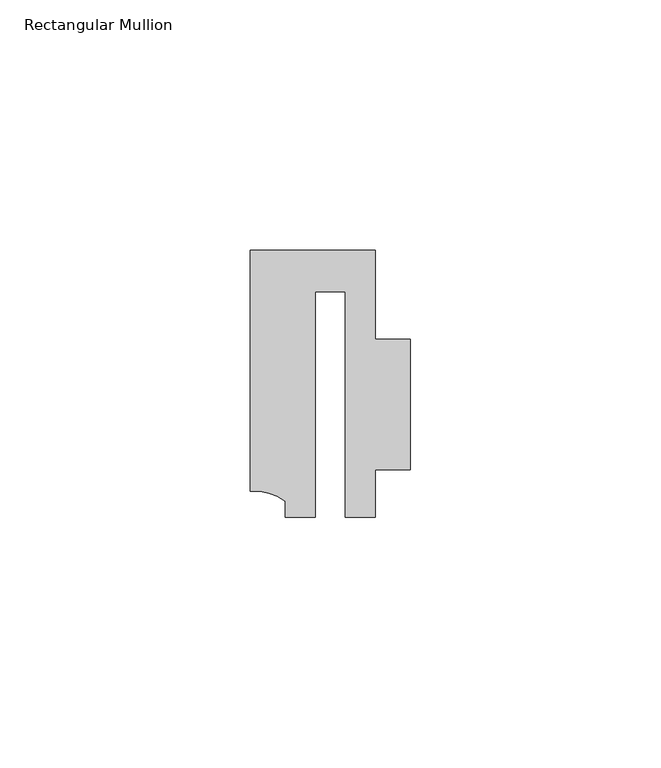
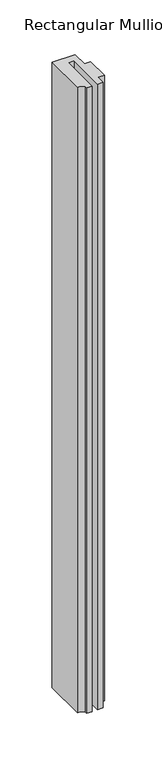
"""IFC4 building model written with IfcOpenShell, lengths in millimetres: member geometry, Rectangular Mullion."""

from ifc_helpers import new_model, si_unit, point, frame, frame_2d, origin, place, context, project, spatial, polyline, circle_curve, trimmed, segment, composite_curve, outline, extrude, source, transform, mapped, element, save


def rectangular_mullion_f88a858d(model_context):
    return source(origin(), model_context, "Body", "SweptSolid", [
        extrude(outline(composite_curve([segment(polyline([(-2.9999659, 24.5130805), (-2.9999659, -20.5039877), (-9.0, -20.5039877), (-9.0, -17.3165089)]), True, "CONTINUOUS"), segment(trimmed(circle_curve(frame_2d((-15.1098019, -25.802169)), 10.4563907), [point((-9.0, -17.3165089))], [point((-15.9999391, -15.3837352))], True, "CARTESIAN"), True, "CONTINUOUS"), segment(polyline([(-15.9999391, -15.3837352), (-15.9999391, 32.7960123), (9.0, 32.7960123), (9.0, 14.9953356), (15.9999391, 14.9953356), (15.9999391, -11.0039877), (8.9999842, -11.0039877), (8.9999842, -20.5039877), (2.9999676, -20.5039877), (2.9999676, 24.5130805), (-2.9999659, 24.5130805)]), True, "CONTINUOUS")], self_intersect=False)), frame((0.0, 0.0, -727.478877), z_axis=(0.0, 0.0, 1.0), x_axis=(1.0, 0.0, 0.0)), (0.0, 0.0, 1.0), 727.478877),
    ])


if __name__ == "__main__":
    model = new_model("IFC4")
    model_context = context("Model", 3, world=origin())
    ifc_project = project(units=[si_unit("LENGTHUNIT", "METRE", prefix="MILLI")], contexts=[model_context])
    site = spatial("IfcSite", under=ifc_project)
    building = spatial("IfcBuilding", under=site)
    placement = place(None, origin())
    rectangular_mullion_shape = rectangular_mullion_f88a858d(model_context)
    element("IfcMember", 1, ObjectType="Rectangular Mullion", at=placement, inside=building, context=model_context, shape_type="MappedRepresentation", body=[
        mapped(rectangular_mullion_shape, transform((0.0, 0.0, 0.0), x_axis=(1.0, 0.0, 0.0), y_axis=(0.0, 1.0, 0.0), z_axis=(0.0, 0.0, 1.0))),
    ])
    save(model, "model.ifc")
